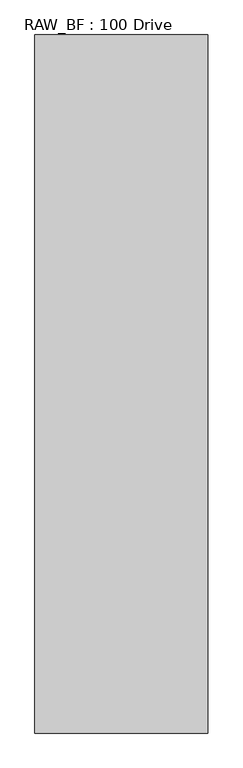
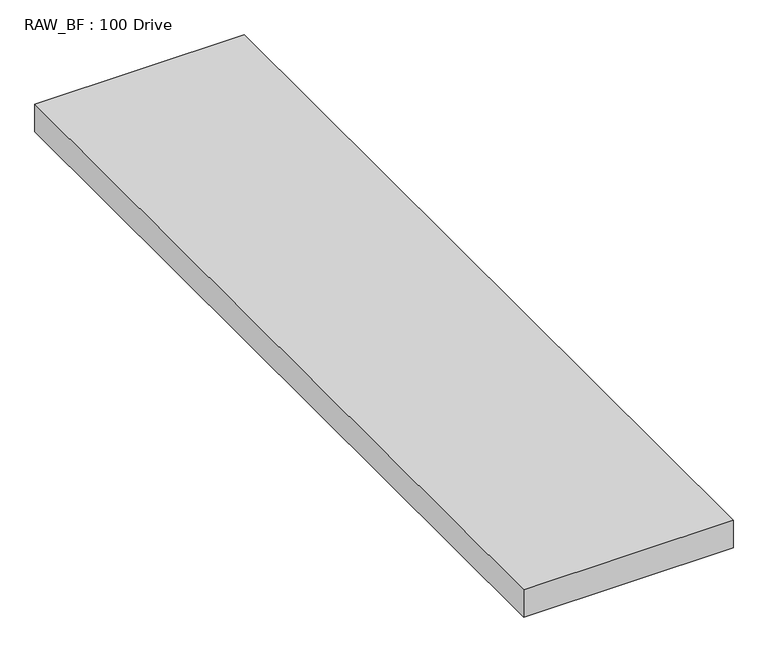
"""IFC4 building model written with IfcOpenShell, lengths in millimetres: proxy geometry, RAW_BF : 100 Drive."""

import ifcopenshell
import ifcopenshell.guid

model = None  # the IFC model being written
_history = None  # IfcOwnerHistory: only IFC2X3 demands one
_inside = {}  # id of a spatial element -> (the spatial element, [elements in it])
_under = {}  # id of a project, library or spatial element -> (it, [spatial elements below it])
_declared = {}  # id of a project -> (the project, [libraries it declares])
_typed = {}  # id of a type object -> (the type object, [elements of that type])
_made_of = {}  # id of a material, layer set ... -> (it, [elements and type objects made of it])


def new_model(schema):
    """Start an empty IFC model of exactly this schema.

    Asked for "IFC4X3", IfcOpenShell would pick the latest addendum, in which some entities
    have other attributes; the version numbers below select the first issue.
    IFC2X3 requires an IfcOwnerHistory on every rooted entity: one is made here for all.
    """
    global model, _history
    if schema == "IFC4X3":
        model = ifcopenshell.file(schema_version=(4, 3, 0, 0))
    else:
        model = ifcopenshell.file(schema=schema)
    _inside.clear()
    _under.clear()
    _declared.clear()
    _typed.clear()
    _made_of.clear()
    _history = None
    if model.schema == "IFC2X3":
        org = make("IfcOrganization", Name="unknown")
        user = make(
            "IfcPersonAndOrganization",
            ThePerson=make("IfcPerson", FamilyName="unknown"),
            TheOrganization=org,
        )
        app = make(
            "IfcApplication",
            ApplicationDeveloper=org,
            Version="unknown",
            ApplicationFullName="unknown",
            ApplicationIdentifier="unknown",
        )
        _history = make(
            "IfcOwnerHistory",
            OwningUser=user,
            OwningApplication=app,
            ChangeAction="ADDED",
            CreationDate=0,
        )
    return model


def make(cls, **values):
    """One entity of the class cls with the attributes given. An attribute that is None is left unset."""
    return model.create_entity(
        cls, **{name: value for name, value in values.items() if value is not None}
    )


def rooted(cls, **values):
    """An entity with a GlobalId (a new one), such as an element, a storey or a relation."""
    return make(cls, GlobalId=ifcopenshell.guid.new(), OwnerHistory=_history, **values)


def si_unit(unit_type, name, prefix=None):
    """IfcSIUnit, for example si_unit("LENGTHUNIT", "METRE", prefix="MILLI")."""
    return make("IfcSIUnit", UnitType=unit_type, Prefix=prefix, Name=name)


def assignment(units):
    """IfcUnitAssignment: the units of a project."""
    return None if units is None else make("IfcUnitAssignment", Units=units)


def point(xyz):
    """IfcCartesianPoint."""
    return None if xyz is None else make("IfcCartesianPoint", Coordinates=xyz)


def direction(xyz):
    """IfcDirection."""
    return None if xyz is None else make("IfcDirection", DirectionRatios=xyz)


def frame(location, z_axis=None, x_axis=None):
    """IfcAxis2Placement3D, a coordinate frame: its origin and axes. An axis left out is left unset."""
    return make(
        "IfcAxis2Placement3D",
        Location=point(location),
        Axis=direction(z_axis),
        RefDirection=direction(x_axis),
    )


def origin():
    """The frame at (0, 0, 0) with its axes left unset."""
    return frame((0.0, 0.0, 0.0))


def place(relative_to, where):
    """IfcLocalPlacement: puts the frame where relative to a parent placement (None: the world)."""
    return make(
        "IfcLocalPlacement", PlacementRelTo=relative_to, RelativePlacement=where
    )


def context(
    kind, dimensions, precision=None, world=None, true_north=None, identifier=None
):
    """IfcGeometricRepresentationContext, for example the 3D "Model" context."""
    return make(
        "IfcGeometricRepresentationContext",
        ContextIdentifier=identifier,
        ContextType=kind,
        CoordinateSpaceDimension=dimensions,
        Precision=precision,
        WorldCoordinateSystem=world,
        TrueNorth=true_north,
    )


def project(units=None, contexts=None):
    """IfcProject with its units and contexts."""
    return rooted(
        "IfcProject",
        Name="project",
        RepresentationContexts=contexts,
        UnitsInContext=assignment(units),
    )


def spatial(cls, under=None, at=None, **own):
    """A site, building, storey or space (cls), placed at a placement, below another one or the project."""
    s = rooted(cls, ObjectPlacement=at, **own)
    if under is not None:
        _under.setdefault(under.id(), (under, []))[1].append(s)
    return s


def polyline(points):
    """IfcPolyline through the points."""
    return make("IfcPolyline", Points=[point(p) for p in points])


def outline(outer, holes=None, kind="AREA"):
    """IfcArbitraryClosedProfileDef: a profile drawn as a closed curve; with holes, ...WithVoids."""
    if holes is None:
        return make("IfcArbitraryClosedProfileDef", ProfileType=kind, OuterCurve=outer)
    return make(
        "IfcArbitraryProfileDefWithVoids",
        ProfileType=kind,
        OuterCurve=outer,
        InnerCurves=holes,
    )


def extrude(swept, where, along, depth):
    """IfcExtrudedAreaSolid: the profile swept, set in the frame where, extruded along a direction by depth."""
    return make(
        "IfcExtrudedAreaSolid",
        SweptArea=swept,
        Position=where,
        ExtrudedDirection=direction(along),
        Depth=depth,
    )


def shape(context_of_items, identifier, shape_type, items):
    """IfcShapeRepresentation: the items that make up one representation, for example the "Body"."""
    return make(
        "IfcShapeRepresentation",
        ContextOfItems=context_of_items,
        RepresentationIdentifier=identifier,
        RepresentationType=shape_type,
        Items=items,
    )


def source(mapping_origin, context_of_items, identifier, shape_type, items):
    """IfcRepresentationMap: a shape defined once, which mapped items show again and again."""
    return make(
        "IfcRepresentationMap",
        MappingOrigin=mapping_origin,
        MappedRepresentation=shape(context_of_items, identifier, shape_type, items),
    )


def transform(
    local_origin,
    x_axis=None,
    y_axis=None,
    z_axis=None,
    scale=None,
    scale2=None,
    scale3=None,
    uniform=True,
):
    """IfcCartesianTransformationOperator3D, or its non-uniform kind. x_axis, y_axis, z_axis: its Axis1, 2, 3."""
    if uniform:
        return make(
            "IfcCartesianTransformationOperator3D",
            Axis1=direction(x_axis),
            Axis2=direction(y_axis),
            LocalOrigin=point(local_origin),
            Scale=scale,
            Axis3=direction(z_axis),
        )
    return make(
        "IfcCartesianTransformationOperator3DnonUniform",
        Axis1=direction(x_axis),
        Axis2=direction(y_axis),
        LocalOrigin=point(local_origin),
        Scale=scale,
        Axis3=direction(z_axis),
        Scale2=scale2,
        Scale3=scale3,
    )


def mapped(mapping_source, mapping_target):
    """IfcMappedItem: shows the shape of a source again, moved by a transform."""
    return make(
        "IfcMappedItem", MappingSource=mapping_source, MappingTarget=mapping_target
    )


def made_of(thing, what):
    """Note that an element or type object is made of a material, layer set ...; save() writes the relation."""
    if what is not None:
        _made_of.setdefault(what.id(), (what, []))[1].append(thing)
    return thing


def element(
    cls,
    number,
    at=None,
    inside=None,
    cuts=None,
    type_object=None,
    material=None,
    context=None,
    identifier="Body",
    shape_type=None,
    held_by="IfcProductDefinitionShape",
    body=None,
    shapes=None,
    **own,
):
    """One element of the class cls, such as IfcWall. Its Tag is "e" and its number.

    at: its placement. inside: the storey or other place that contains it. cuts: it is an
    opening in that element (IfcRelVoidsElement). A single representation is given by context,
    identifier, shape_type and body (its items); several are given by shapes. held_by: the class
    of the entity that holds the representations. save() writes the other relations.
    """
    e = rooted(cls, Tag="e%d" % number, ObjectPlacement=at, **own)
    if body is not None:
        shapes = [shape(context, identifier, shape_type, body)]
    if shapes is not None:
        e.Representation = make(held_by, Representations=shapes)
    if inside is not None:
        _inside.setdefault(inside.id(), (inside, []))[1].append(e)
    if cuts is not None:
        rooted(
            "IfcRelVoidsElement", RelatingBuildingElement=cuts, RelatedOpeningElement=e
        )
    if type_object is not None:
        _typed.setdefault(type_object.id(), (type_object, []))[1].append(e)
    return made_of(e, material)


def aggregate(whole, parts):
    """IfcRelAggregates: a whole, such as a stair, and the parts it consists of."""
    return rooted("IfcRelAggregates", RelatingObject=whole, RelatedObjects=parts)


def save(model, path):
    """Write the relations noted so far, then the file.

    IfcRelAggregates (storeys below a building ...), IfcRelContainedInSpatialStructure (elements
    in a storey), IfcRelDefinesByType, IfcRelAssociatesMaterial and IfcRelDeclares: one each for
    every whole, place, type object, material and project.
    """
    for whole, parts in _under.values():
        aggregate(whole, parts)
    for where, things in _inside.values():
        rooted(
            "IfcRelContainedInSpatialStructure",
            RelatedElements=things,
            RelatingStructure=where,
        )
    for kind, things in _typed.values():
        rooted("IfcRelDefinesByType", RelatedObjects=things, RelatingType=kind)
    for what, things in _made_of.values():
        rooted("IfcRelAssociatesMaterial", RelatedObjects=things, RelatingMaterial=what)
    for by, libraries in _declared.values():
        rooted("IfcRelDeclares", RelatingContext=by, RelatedDefinitions=libraries)
    model.write(path)


def raw_bf_100_drive_8b6a92d6(model_context):
    return source(origin(), model_context, "Body", "SweptSolid", [
        extrude(outline(polyline([(600.0, 0.0), (600.0, -4850.0), (-600.0, -4850.0), (-600.0, 0.0), (600.0, 0.0)])), frame((0.0, 0.0, -165.0), z_axis=(0.0, 0.0, 1.0), x_axis=(1.0, 0.0, 0.0)), (0.0, 0.0, 1.0), 165.0),
    ])


if __name__ == "__main__":
    model = new_model("IFC4")
    model_context = context("Model", 3, world=origin())
    ifc_project = project(units=[si_unit("LENGTHUNIT", "METRE", prefix="MILLI")], contexts=[model_context])
    site = spatial("IfcSite", under=ifc_project)
    building = spatial("IfcBuilding", under=site)
    placement = place(None, origin())
    raw_bf_100_drive_shape = raw_bf_100_drive_8b6a92d6(model_context)
    element("IfcBuildingElementProxy", 1, Name="RAW_BF : 100 Drive", ObjectType="RAW_BF : 100 Drive", at=placement, inside=building, context=model_context, shape_type="MappedRepresentation", body=[
        mapped(raw_bf_100_drive_shape, transform((0.0, 0.0, 0.0), x_axis=(1.0, 0.0, 0.0), y_axis=(0.0, 1.0, 0.0), z_axis=(0.0, 0.0, 1.0))),
    ])
    save(model, "model.ifc")
